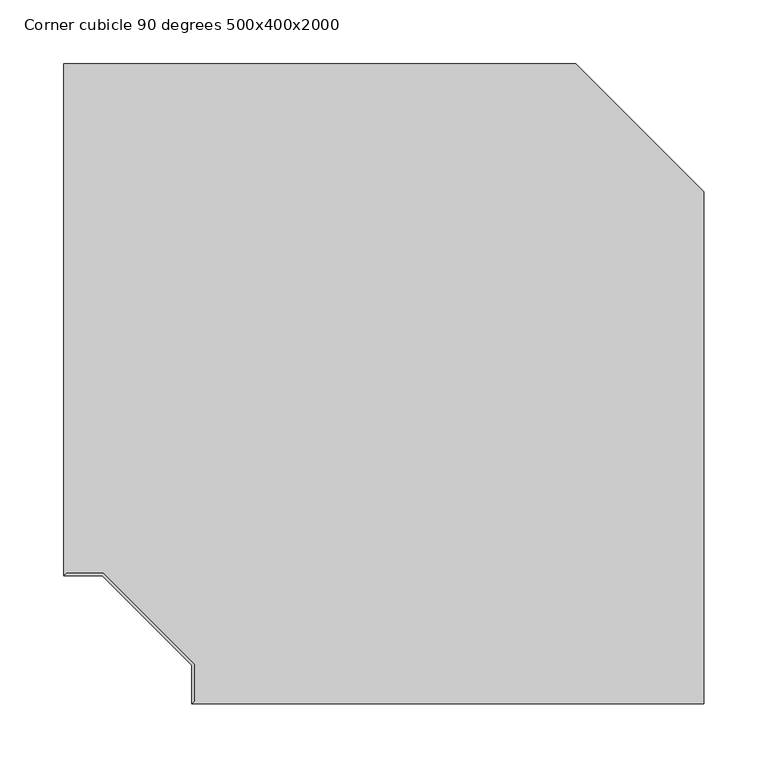
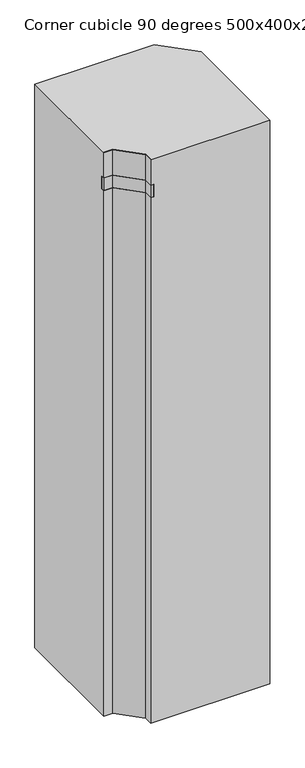
"""IFC4 building model written with IfcOpenShell, lengths in millimetres: proxy geometry, Corner cubicle 90 degrees 500x400x2000."""

from ifc_helpers import new_model, si_unit, frame, origin, origin_with_axes, place, context, project, spatial, polyline, outline, extrude, faceted_brep, source, transform, mapped, element, save


def corner_cubicle_90_degrees_500x400x2000_61ace69c(model_context):
    return source(origin(), model_context, "Body", "SolidModel", [
        extrude(outline(polyline([(-150.0, -470.0), (-220.0, -400.0), (-250.0, -400.0), (-248.0, -398.0), (-219.1715729, -398.0), (-148.0, -469.1715729), (-148.0, -498.0), (-150.0, -500.0), (-150.0, -470.0)])), frame((0.0, 0.0, 1909.7228569), z_axis=(0.0, 0.0, 1.0), x_axis=(1.0, 0.0, 0.0)), (0.0, 0.0, 1.0), 90.2771431),
        extrude(outline(polyline([(-220.0, -400.0), (-250.0, -400.0), (-248.0, -398.0), (-219.1715729, -398.0), (-148.0, -469.1715729), (-148.0, -498.0), (-150.0, -500.0), (-150.0, -470.0), (-220.0, -400.0)])), origin_with_axes(), (0.0, 0.0, 1.0), 1865.026545),
        faceted_brep([(-250.0, -400.0, 2000.0), (-248.0, -398.0, 2000.0), (-219.1715729, -398.0, 2000.0), (-148.0, -469.1715729, 2000.0), (-148.0, -498.0, 2000.0), (-150.0, -500.0, 2000.0), (250.0, -500.0, 2000.0), (250.0, -100.0, 2000.0), (150.0, 0.0, 2000.0), (-250.0, 0.0, 2000.0), (-250.0, -400.0, 0.0), (-250.0, 0.0, 0.0), (150.0, 0.0, 0.0), (250.0, -100.0, 0.0), (250.0, -500.0, 0.0), (-150.0, -500.0, 0.0), (-148.0, -498.0, 0.0), (-148.0, -469.1715729, 0.0), (-219.1715729, -398.0, 0.0), (-248.0, -398.0, 0.0), (-150.0, -500.0, 1909.7228569), (-140.0, -500.0, 1909.7228569), (-140.0, -500.0, 1865.026545), (-150.0, -500.0, 1865.026545), (-250.0, -400.0, 1865.026545), (-250.0, -390.0, 1865.026545), (-250.0, -390.0, 1909.7228569), (-250.0, -400.0, 1909.7228569), (-248.0, -398.0, 1909.7228569), (-248.0, -398.0, 1865.026545), (-219.1715729, -398.0, 1909.7228569), (-219.1715729, -398.0, 1865.026545), (-148.0, -469.1715729, 1909.7228569), (-148.0, -469.1715729, 1865.026545), (-148.0, -498.0, 1909.7228569), (-148.0, -498.0, 1865.026545), (-215.8578644, -390.0, 1909.7228569), (-140.0, -465.8578644, 1909.7228569), (-140.0, -465.8578644, 1865.026545), (-215.8578644, -390.0, 1865.026545)], [[[0, 1, 2, 3, 4, 5, 6, 7, 8, 9]], [[10, 11, 12, 13, 14, 15, 16, 17, 18, 19]], [[6, 5, 20, 21, 22, 23, 15, 14]], [[7, 6, 14, 13]], [[9, 8, 12, 11]], [[0, 9, 11, 10, 24, 25, 26, 27]], [[8, 7, 13, 12]], [[1, 0, 27, 28]], [[10, 19, 29, 24]], [[2, 1, 28, 30]], [[19, 18, 31, 29]], [[3, 2, 30, 32]], [[18, 17, 33, 31]], [[4, 3, 32, 34]], [[17, 16, 35, 33]], [[5, 4, 34, 20]], [[16, 15, 23, 35]], [[26, 36, 37, 21, 20, 34, 32, 30, 28, 27]], [[22, 38, 39, 25, 24, 29, 31, 33, 35, 23]], [[21, 37, 38, 22]], [[37, 36, 39, 38]], [[36, 26, 25, 39]]]),
        extrude(outline(polyline([(-220.0, -400.0), (-250.0, -400.0), (-250.0, -390.0), (-215.8578644, -390.0), (-140.0, -465.8578644), (-140.0, -500.0), (-150.0, -500.0), (-150.0, -470.0), (-220.0, -400.0)])), frame((0.0, 0.0, 1865.026545), z_axis=(0.0, 0.0, 1.0), x_axis=(1.0, 0.0, 0.0)), (0.0, 0.0, 1.0), 44.6963119),
    ])


if __name__ == "__main__":
    model = new_model("IFC4")
    model_context = context("Model", 3, world=origin())
    ifc_project = project(units=[si_unit("LENGTHUNIT", "METRE", prefix="MILLI")], contexts=[model_context])
    site = spatial("IfcSite", under=ifc_project)
    building = spatial("IfcBuilding", under=site)
    placement = place(None, origin())
    corner_cubicle_90_degrees_500x400x2000_shape = corner_cubicle_90_degrees_500x400x2000_61ace69c(model_context)
    element("IfcBuildingElementProxy", 1, Name="Corner cubicle 90 degrees 500x400x2000", ObjectType="Corner cubicle 90 degrees 500x400x2000", at=placement, inside=building, context=model_context, shape_type="MappedRepresentation", body=[
        mapped(corner_cubicle_90_degrees_500x400x2000_shape, transform((0.0, 0.0, 0.0), x_axis=(1.0, 0.0, 0.0), y_axis=(0.0, 1.0, 0.0), z_axis=(0.0, 0.0, 1.0))),
    ])
    save(model, "model.ifc")
